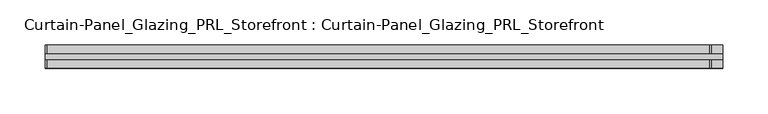
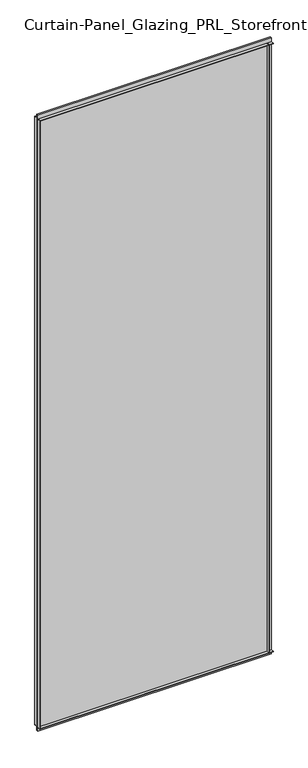
"""IFC4 building model written with IfcOpenShell, lengths in millimetres: plate geometry, Curtain-Panel_Glazing_PRL_Storefront : Curtain-Panel_Glazing_PRL_Storefront."""

from ifc_helpers import new_model, si_unit, frame, origin, origin_with_axes, place, context, project, spatial, polyline, outline, extrude, source, transform, mapped, element, save


def curtain_panel_glazing_prl_storefront_curtain_panel_glazing_e4cc66a1(model_context):
    return source(origin(), model_context, "Body", "SweptSolid", [
        extrude(outline(polyline([(422.275, 12.7), (422.275, 3.175), (420.6875, 3.175), (420.6875, 12.7), (422.275, 12.7)])), frame((0.0, 0.0, 12.7), z_axis=(0.0, 0.0, 1.0), x_axis=(1.0, 0.0, 0.0)), (0.0, 0.0, 1.0), 2051.05),
        extrude(outline(polyline([(422.275, -12.7), (420.6875, -12.7), (420.6875, -3.175), (422.275, -3.175), (422.275, -12.7)])), frame((0.0, 0.0, 12.7), z_axis=(0.0, 0.0, 1.0), x_axis=(1.0, 0.0, 0.0)), (0.0, 0.0, 1.0), 2051.05),
        extrude(outline(polyline([(-311.15, 12.7), (-309.5625, 12.7), (-309.5625, 3.175), (-311.15, 3.175), (-311.15, 12.7)])), frame((0.0, 0.0, 12.7), z_axis=(0.0, 0.0, 1.0), x_axis=(1.0, 0.0, 0.0)), (0.0, 0.0, 1.0), 2051.05),
        extrude(outline(polyline([(-311.15, -12.7), (-311.15, -3.175), (-309.5625, -3.175), (-309.5625, -12.7), (-311.15, -12.7)])), frame((0.0, 0.0, 12.7), z_axis=(0.0, 0.0, 1.0), x_axis=(1.0, 0.0, 0.0)), (0.0, 0.0, 1.0), 2051.05),
        extrude(outline(polyline([(434.975, -3.175), (-311.15, -3.175), (-311.15, 3.175), (434.975, 3.175), (434.975, -3.175)])), origin_with_axes(), (0.0, 0.0, 1.0), 2076.45),
        extrude(outline(polyline([(-311.15, 12.7), (434.975, 12.7), (434.975, 3.175), (-311.15, 3.175), (-311.15, 12.7)])), frame((0.0, 0.0, 2062.1625), z_axis=(0.0, 0.0, 1.0), x_axis=(1.0, 0.0, 0.0)), (0.0, 0.0, 1.0), 1.5875),
        extrude(outline(polyline([(-311.15, -12.7), (-311.15, -3.175), (434.975, -3.175), (434.975, -12.7), (-311.15, -12.7)])), frame((0.0, 0.0, 2062.1625), z_axis=(0.0, 0.0, 1.0), x_axis=(1.0, 0.0, 0.0)), (0.0, 0.0, 1.0), 1.5875),
        extrude(outline(polyline([(-311.15, 12.7), (434.975, 12.7), (434.975, 3.175), (-311.15, 3.175), (-311.15, 12.7)])), frame((0.0, 0.0, 12.7), z_axis=(0.0, 0.0, 1.0), x_axis=(1.0, 0.0, 0.0)), (0.0, 0.0, 1.0), 1.5875),
        extrude(outline(polyline([(-311.15, -12.7), (-311.15, -3.175), (434.975, -3.175), (434.975, -12.7), (-311.15, -12.7)])), frame((0.0, 0.0, 12.7), z_axis=(0.0, 0.0, 1.0), x_axis=(1.0, 0.0, 0.0)), (0.0, 0.0, 1.0), 1.5875),
    ])


if __name__ == "__main__":
    model = new_model("IFC4")
    model_context = context("Model", 3, world=origin())
    ifc_project = project(units=[si_unit("LENGTHUNIT", "METRE", prefix="MILLI")], contexts=[model_context])
    site = spatial("IfcSite", under=ifc_project)
    building = spatial("IfcBuilding", under=site)
    placement = place(None, origin())
    curtain_panel_glazing_prl_storefront_curtain_panel_glazing_shape = curtain_panel_glazing_prl_storefront_curtain_panel_glazing_e4cc66a1(model_context)
    element("IfcPlate", 1, ObjectType="Curtain-Panel_Glazing_PRL_Storefront : Curtain-Panel_Glazing_PRL_Storefront", at=placement, inside=building, context=model_context, shape_type="MappedRepresentation", body=[
        mapped(curtain_panel_glazing_prl_storefront_curtain_panel_glazing_shape, transform((0.0, 0.0, 0.0), x_axis=(1.0, 0.0, 0.0), y_axis=(0.0, 1.0, 0.0), z_axis=(0.0, 0.0, 1.0))),
    ])
    save(model, "model.ifc")
